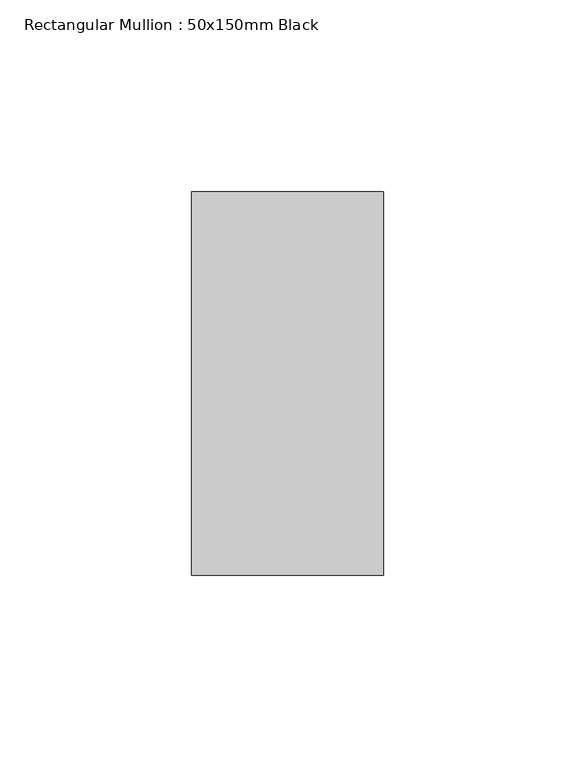
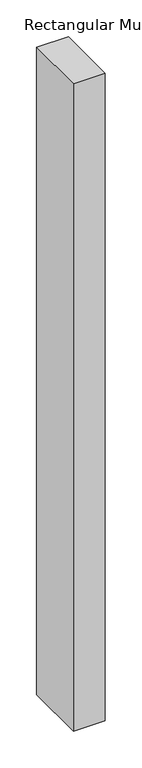
"""IFC4 building model written with IfcOpenShell, lengths in millimetres: member geometry, Rectangular Mullion : 50x150mm Black."""

from ifc_helpers import new_model, si_unit, frame, origin, place, context, project, spatial, polyline, outline, extrude, source, transform, mapped, element, save


def rectangular_mullion_50x150mm_black_25222a55(model_context):
    return source(origin(), model_context, "Body", "SweptSolid", [
        extrude(outline(polyline([(25.0, 50.0), (25.0, -50.0), (-25.0, -50.0), (-25.0, 50.0), (25.0, 50.0)])), frame((0.0, 0.0, -1075.0), z_axis=(0.0, 0.0, 1.0), x_axis=(1.0, 0.0, 0.0)), (0.0, 0.0, 1.0), 1075.0),
    ])


if __name__ == "__main__":
    model = new_model("IFC4")
    model_context = context("Model", 3, world=origin())
    ifc_project = project(units=[si_unit("LENGTHUNIT", "METRE", prefix="MILLI")], contexts=[model_context])
    site = spatial("IfcSite", under=ifc_project)
    building = spatial("IfcBuilding", under=site)
    placement = place(None, origin())
    rectangular_mullion_50x150mm_black_shape = rectangular_mullion_50x150mm_black_25222a55(model_context)
    element("IfcMember", 1, ObjectType="Rectangular Mullion : 50x150mm Black", at=placement, inside=building, context=model_context, shape_type="MappedRepresentation", body=[
        mapped(rectangular_mullion_50x150mm_black_shape, transform((0.0, 0.0, 0.0), x_axis=(1.0, 0.0, 0.0), y_axis=(0.0, 1.0, 0.0), z_axis=(0.0, 0.0, 1.0))),
    ])
    save(model, "model.ifc")
